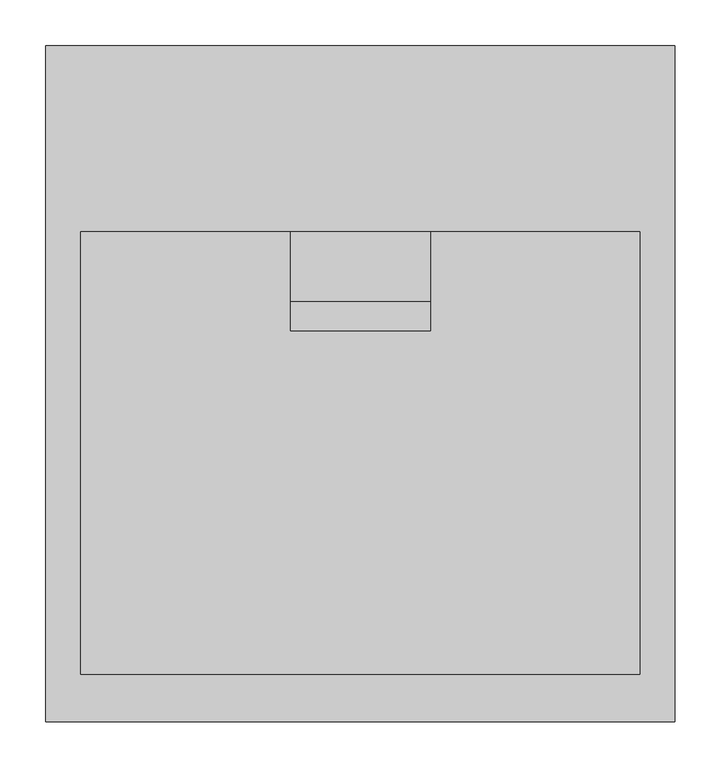
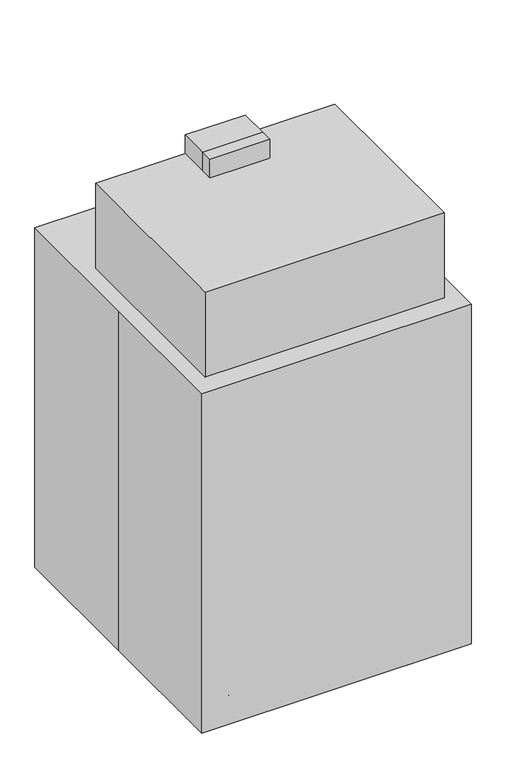
"""IFC4 building model written with IfcOpenShell, lengths in millimetres: proxy geometry."""

from ifc_helpers import new_model, si_unit, point, frame, frame_2d, origin, origin_with_axes, place, context, project, spatial, polyline, circle_curve, trimmed, segment, composite_curve, outline, extrude, faceted_brep, source, transform, mapped, element, save


def specialty_equipment_d65f46d3(model_context):
    return source(origin(), model_context, "Body", "SolidModel", [
        extrude(outline(polyline([(990.6, 241.3), (990.6, -241.3), (711.2, -241.3), (711.2, 241.3), (990.6, 241.3)]), holes=[polyline([(977.9, 228.6), (723.9, 228.6), (723.9, -228.6), (977.9, -228.6), (977.9, 228.6)])]), frame((0.0, 7.3967076, 0.0), z_axis=(0.0, 1.0, 0.0), x_axis=(0.0, 0.0, 1.0)), (0.0, 0.0, 1.0), 4.7862024),
        extrude(outline(polyline([(241.3, 12.18291), (-241.3, 12.18291), (-241.3, 58.0280886), (241.3, 58.0280886), (241.3, 12.18291)])), frame((0.0, 0.0, 711.2), z_axis=(0.0, 0.0, 1.0), x_axis=(1.0, 0.0, 0.0)), (0.0, 0.0, 1.0), 279.4),
        extrude(outline(polyline([(304.8, 166.0623981), (304.8, -316.5376019), (-304.8, -316.5376019), (-304.8, 166.0623981), (304.8, 166.0623981)])), frame((0.0, 0.0, 558.8), z_axis=(0.0, 0.0, 1.0), x_axis=(1.0, 0.0, 0.0)), (0.0, 0.0, 1.0), 584.2),
        extrude(outline(composite_curve([segment(polyline([(62.2305834, 139.7), (-104.1945414, 139.7), (-104.1945414, 393.7)]), True, "CONTINUOUS"), segment(trimmed(circle_curve(frame_2d((-53.3945414, 393.7)), 50.8), [point((-104.1945414, 393.7))], [point((-53.3945414, 444.5))], False, "CARTESIAN"), True, "CONTINUOUS"), segment(polyline([(-53.3945414, 444.5), (89.7780886, 444.5), (89.7780886, 182.7496596)]), True, "CONTINUOUS"), segment(trimmed(circle_curve(frame_2d((29.5735373, 190.9359281)), 60.7585631), [point((89.7780886, 182.7496596))], [point((62.2305834, 139.7))], False, "CARTESIAN"), True, "CONTINUOUS")], self_intersect=False)), frame((-76.2, 0.0, 0.0), z_axis=(1.0, 0.0, 0.0), x_axis=(0.0, 1.0, 0.0)), (0.0, 0.0, 1.0), 152.4),
        extrude(outline(polyline([(-196.85, 635.0), (58.0280886, 635.0), (58.0280886, 444.5), (-196.85, 609.6), (-196.85, 635.0)])), frame((57.15, 0.0, 0.0), z_axis=(1.0, 0.0, 0.0), x_axis=(0.0, 1.0, 0.0)), (0.0, 0.0, 1.0), 19.05),
        faceted_brep([(211.1375, -4.7625, 644.525), (211.1375, -4.7625, 639.7625), (211.1375, -255.5875, 639.7625), (211.1375, -255.5875, 644.525), (215.9, 0.0, 644.525), (215.9, -260.35, 644.525), (215.9, -260.35, 635.0), (215.9, 0.0, 635.0), (-211.1375, -255.5875, 639.7625), (-211.1375, -255.5875, 644.525), (-215.9, -260.35, 644.525), (-215.9, -260.35, 635.0), (-211.1375, -4.7625, 639.7625), (-211.1375, -4.7625, 644.525), (-215.9, 0.0, 644.525), (-215.9, 0.0, 635.0)], [[[0, 1, 2, 3]], [[4, 5, 6, 7]], [[3, 2, 8, 9]], [[6, 5, 10, 11]], [[9, 8, 12, 13]], [[11, 10, 14, 15]], [[1, 0, 13, 12]], [[5, 4, 14, 10], [0, 3, 9, 13]], [[4, 7, 15, 14]], [[7, 6, 11, 15]], [[2, 1, 12, 8]]]),
        extrude(outline(polyline([(-196.85, 635.0), (58.0280886, 635.0), (58.0280886, 444.5), (-196.85, 609.6), (-196.85, 635.0)])), frame((-76.2, 0.0, 0.0), z_axis=(1.0, 0.0, 0.0), x_axis=(0.0, 1.0, 0.0)), (0.0, 0.0, 1.0), 19.05),
        extrude(outline(polyline([(76.2, 89.7780886), (76.2, 58.0280886), (-76.2, 58.0280886), (-76.2, 89.7780886), (76.2, 89.7780886)])), frame((0.0, 0.0, 444.5), z_axis=(0.0, 0.0, 1.0), x_axis=(1.0, 0.0, 0.0)), (0.0, 0.0, 1.0), 749.3),
        extrude(outline(composite_curve([segment(polyline([(165.9780886, 1193.8), (165.9780886, 139.7), (62.2305834, 139.7)]), True, "CONTINUOUS"), segment(trimmed(circle_curve(frame_2d((29.5735373, 190.9359281)), 60.7585631), [point((62.2305834, 139.7))], [point((89.7780886, 182.7496596))], True, "CARTESIAN"), True, "CONTINUOUS"), segment(polyline([(89.7780886, 182.7496596), (89.7780886, 1193.8), (165.9780886, 1193.8)]), True, "CONTINUOUS")], self_intersect=False)), frame((-76.2, 0.0, 0.0), z_axis=(1.0, 0.0, 0.0), x_axis=(0.0, 1.0, 0.0)), (0.0, 0.0, 1.0), 152.4),
        extrude(outline(composite_curve([segment(trimmed(circle_curve(frame_2d((-215.9, 257.2471418)), 9.525), [point((-206.375, 257.2471418))], [point((-225.425, 257.2471418))], False, "CARTESIAN"), True, "CONTINUOUS"), segment(trimmed(circle_curve(frame_2d((-215.9, 257.2471418)), 9.525), [point((-225.425, 257.2471418))], [point((-206.375, 257.2471418))], False, "CARTESIAN"), True, "CONTINUOUS")], self_intersect=False)), frame((0.0, 0.0, 38.9774203), z_axis=(0.0, 0.0, 1.0), x_axis=(1.0, 0.0, 0.0)), (0.0, 0.0, 1.0), 49.9225797),
        extrude(outline(composite_curve([segment(trimmed(circle_curve(frame_2d((260.2876401, 38.1)), 38.1), [point((298.3876401, 38.1))], [point((222.1876401, 38.1))], False, "CARTESIAN"), True, "CONTINUOUS"), segment(trimmed(circle_curve(frame_2d((260.2876401, 38.1)), 38.1), [point((222.1876401, 38.1))], [point((298.3876401, 38.1))], False, "CARTESIAN"), True, "CONTINUOUS")], self_intersect=False)), frame((-206.375, 0.0, 0.0), z_axis=(1.0, 0.0, 0.0), x_axis=(0.0, 1.0, 0.0)), (0.0, 0.0, 1.0), 9.525),
        extrude(outline(composite_curve([segment(trimmed(circle_curve(frame_2d((260.35, 38.1)), 19.05), [point((279.4, 38.1))], [point((241.3, 38.1))], False, "CARTESIAN"), True, "CONTINUOUS"), segment(trimmed(circle_curve(frame_2d((260.35, 38.1)), 19.05), [point((241.3, 38.1))], [point((279.4, 38.1))], False, "CARTESIAN"), True, "CONTINUOUS")], self_intersect=False)), frame((-225.425, 0.0, 0.0), z_axis=(1.0, 0.0, 0.0), x_axis=(0.0, 1.0, 0.0)), (0.0, 0.0, 1.0), 19.05),
        extrude(outline(composite_curve([segment(trimmed(circle_curve(frame_2d((260.2876401, 38.1)), 38.1), [point((298.3876401, 38.1))], [point((222.1876401, 38.1))], False, "CARTESIAN"), True, "CONTINUOUS"), segment(trimmed(circle_curve(frame_2d((260.2876401, 38.1)), 38.1), [point((222.1876401, 38.1))], [point((298.3876401, 38.1))], False, "CARTESIAN"), True, "CONTINUOUS")], self_intersect=False)), frame((-234.95, 0.0, 0.0), z_axis=(1.0, 0.0, 0.0), x_axis=(0.0, 1.0, 0.0)), (0.0, 0.0, 1.0), 9.525),
        extrude(outline(composite_curve([segment(trimmed(circle_curve(frame_2d((-215.9, -257.2471418)), 9.525), [point((-206.375, -257.2471418))], [point((-225.425, -257.2471418))], False, "CARTESIAN"), True, "CONTINUOUS"), segment(trimmed(circle_curve(frame_2d((-215.9, -257.2471418)), 9.525), [point((-225.425, -257.2471418))], [point((-206.375, -257.2471418))], False, "CARTESIAN"), True, "CONTINUOUS")], self_intersect=False)), frame((0.0, 0.0, 38.9774203), z_axis=(0.0, 0.0, 1.0), x_axis=(1.0, 0.0, 0.0)), (0.0, 0.0, 1.0), 49.9225797),
        extrude(outline(composite_curve([segment(trimmed(circle_curve(frame_2d((-260.2876401, 38.1)), 38.1), [point((-298.3876401, 38.1))], [point((-222.1876401, 38.1))], False, "CARTESIAN"), True, "CONTINUOUS"), segment(trimmed(circle_curve(frame_2d((-260.2876401, 38.1)), 38.1), [point((-222.1876401, 38.1))], [point((-298.3876401, 38.1))], False, "CARTESIAN"), True, "CONTINUOUS")], self_intersect=False)), frame((-206.375, 0.0, 0.0), z_axis=(1.0, 0.0, 0.0), x_axis=(0.0, 1.0, 0.0)), (0.0, 0.0, 1.0), 9.525),
        extrude(outline(composite_curve([segment(trimmed(circle_curve(frame_2d((-260.35, 38.1)), 19.05), [point((-279.4, 38.1))], [point((-241.3, 38.1))], False, "CARTESIAN"), True, "CONTINUOUS"), segment(trimmed(circle_curve(frame_2d((-260.35, 38.1)), 19.05), [point((-241.3, 38.1))], [point((-279.4, 38.1))], False, "CARTESIAN"), True, "CONTINUOUS")], self_intersect=False)), frame((-225.425, 0.0, 0.0), z_axis=(1.0, 0.0, 0.0), x_axis=(0.0, 1.0, 0.0)), (0.0, 0.0, 1.0), 19.05),
        extrude(outline(composite_curve([segment(trimmed(circle_curve(frame_2d((-260.2876401, 38.1)), 38.1), [point((-298.3876401, 38.1))], [point((-222.1876401, 38.1))], False, "CARTESIAN"), True, "CONTINUOUS"), segment(trimmed(circle_curve(frame_2d((-260.2876401, 38.1)), 38.1), [point((-222.1876401, 38.1))], [point((-298.3876401, 38.1))], False, "CARTESIAN"), True, "CONTINUOUS")], self_intersect=False)), frame((-234.95, 0.0, 0.0), z_axis=(1.0, 0.0, 0.0), x_axis=(0.0, 1.0, 0.0)), (0.0, 0.0, 1.0), 9.525),
        extrude(outline(composite_curve([segment(trimmed(circle_curve(frame_2d((215.9, 257.2471418)), 9.525), [point((206.375, 257.2471418))], [point((225.425, 257.2471418))], False, "CARTESIAN"), True, "CONTINUOUS"), segment(trimmed(circle_curve(frame_2d((215.9, 257.2471418)), 9.525), [point((225.425, 257.2471418))], [point((206.375, 257.2471418))], False, "CARTESIAN"), True, "CONTINUOUS")], self_intersect=False)), frame((0.0, 0.0, 38.9774203), z_axis=(0.0, 0.0, 1.0), x_axis=(1.0, 0.0, 0.0)), (0.0, 0.0, 1.0), 49.9225797),
        extrude(outline(composite_curve([segment(trimmed(circle_curve(frame_2d((260.2876401, 38.1)), 38.1), [point((298.3876401, 38.1))], [point((222.1876401, 38.1))], False, "CARTESIAN"), True, "CONTINUOUS"), segment(trimmed(circle_curve(frame_2d((260.2876401, 38.1)), 38.1), [point((222.1876401, 38.1))], [point((298.3876401, 38.1))], False, "CARTESIAN"), True, "CONTINUOUS")], self_intersect=False)), frame((196.85, 0.0, 0.0), z_axis=(1.0, 0.0, 0.0), x_axis=(0.0, 1.0, 0.0)), (0.0, 0.0, 1.0), 9.525),
        extrude(outline(composite_curve([segment(trimmed(circle_curve(frame_2d((260.35, 38.1)), 19.05), [point((279.4, 38.1))], [point((241.3, 38.1))], False, "CARTESIAN"), True, "CONTINUOUS"), segment(trimmed(circle_curve(frame_2d((260.35, 38.1)), 19.05), [point((241.3, 38.1))], [point((279.4, 38.1))], False, "CARTESIAN"), True, "CONTINUOUS")], self_intersect=False)), frame((206.375, 0.0, 0.0), z_axis=(1.0, 0.0, 0.0), x_axis=(0.0, 1.0, 0.0)), (0.0, 0.0, 1.0), 19.05),
        extrude(outline(composite_curve([segment(trimmed(circle_curve(frame_2d((260.2876401, 38.1)), 38.1), [point((298.3876401, 38.1))], [point((222.1876401, 38.1))], False, "CARTESIAN"), True, "CONTINUOUS"), segment(trimmed(circle_curve(frame_2d((260.2876401, 38.1)), 38.1), [point((222.1876401, 38.1))], [point((298.3876401, 38.1))], False, "CARTESIAN"), True, "CONTINUOUS")], self_intersect=False)), frame((225.425, 0.0, 0.0), z_axis=(1.0, 0.0, 0.0), x_axis=(0.0, 1.0, 0.0)), (0.0, 0.0, 1.0), 9.525),
        extrude(outline(composite_curve([segment(trimmed(circle_curve(frame_2d((215.9, -257.2471418)), 9.525), [point((206.375, -257.2471418))], [point((225.425, -257.2471418))], False, "CARTESIAN"), True, "CONTINUOUS"), segment(trimmed(circle_curve(frame_2d((215.9, -257.2471418)), 9.525), [point((225.425, -257.2471418))], [point((206.375, -257.2471418))], False, "CARTESIAN"), True, "CONTINUOUS")], self_intersect=False)), frame((0.0, 0.0, 38.9774203), z_axis=(0.0, 0.0, 1.0), x_axis=(1.0, 0.0, 0.0)), (0.0, 0.0, 1.0), 49.9225797),
        extrude(outline(composite_curve([segment(trimmed(circle_curve(frame_2d((-260.2876401, 38.1)), 38.1), [point((-298.3876401, 38.1))], [point((-222.1876401, 38.1))], False, "CARTESIAN"), True, "CONTINUOUS"), segment(trimmed(circle_curve(frame_2d((-260.2876401, 38.1)), 38.1), [point((-222.1876401, 38.1))], [point((-298.3876401, 38.1))], False, "CARTESIAN"), True, "CONTINUOUS")], self_intersect=False)), frame((196.85, 0.0, 0.0), z_axis=(1.0, 0.0, 0.0), x_axis=(0.0, 1.0, 0.0)), (0.0, 0.0, 1.0), 9.525),
        extrude(outline(composite_curve([segment(trimmed(circle_curve(frame_2d((-260.35, 38.1)), 19.05), [point((-279.4, 38.1))], [point((-241.3, 38.1))], False, "CARTESIAN"), True, "CONTINUOUS"), segment(trimmed(circle_curve(frame_2d((-260.35, 38.1)), 19.05), [point((-241.3, 38.1))], [point((-279.4, 38.1))], False, "CARTESIAN"), True, "CONTINUOUS")], self_intersect=False)), frame((206.375, 0.0, 0.0), z_axis=(1.0, 0.0, 0.0), x_axis=(0.0, 1.0, 0.0)), (0.0, 0.0, 1.0), 19.05),
        extrude(outline(composite_curve([segment(trimmed(circle_curve(frame_2d((-260.2876401, 38.1)), 38.1), [point((-298.3876401, 38.1))], [point((-222.1876401, 38.1))], False, "CARTESIAN"), True, "CONTINUOUS"), segment(trimmed(circle_curve(frame_2d((-260.2876401, 38.1)), 38.1), [point((-222.1876401, 38.1))], [point((-298.3876401, 38.1))], False, "CARTESIAN"), True, "CONTINUOUS")], self_intersect=False)), frame((225.425, 0.0, 0.0), z_axis=(1.0, 0.0, 0.0), x_axis=(0.0, 1.0, 0.0)), (0.0, 0.0, 1.0), 9.525),
        extrude(outline(composite_curve([segment(polyline([(93.9865963, 192.9187071), (176.6628647, 292.6165602)]), True, "CONTINUOUS"), segment(trimmed(circle_curve(frame_2d((215.7665691, 260.189098)), 50.8), [point((176.6628647, 292.6165602))], [point((254.8702735, 227.7616359))], False, "CARTESIAN"), True, "CONTINUOUS"), segment(polyline([(254.8702735, 227.7616359), (152.4, 104.1945414), (152.4, -104.1945414), (254.8702735, -227.7616359)]), True, "CONTINUOUS"), segment(trimmed(circle_curve(frame_2d((215.7665691, -260.189098)), 50.8), [point((254.8702735, -227.7616359))], [point((176.6628647, -292.6165602))], False, "CARTESIAN"), True, "CONTINUOUS"), segment(polyline([(176.6628647, -292.6165602), (53.1141065, -143.6312929), (-53.1141065, -143.6312929), (-176.6628647, -292.6165602)]), True, "CONTINUOUS"), segment(trimmed(circle_curve(frame_2d((-215.7665691, -260.189098)), 50.8), [point((-176.6628647, -292.6165602))], [point((-254.8702735, -227.7616359))], False, "CARTESIAN"), True, "CONTINUOUS"), segment(polyline([(-254.8702735, -227.7616359), (-152.4, -104.1945414), (-152.4, 104.1945414), (-254.8702735, 227.7616359)]), True, "CONTINUOUS"), segment(trimmed(circle_curve(frame_2d((-215.7665691, 260.189098)), 50.8), [point((-254.8702735, 227.7616359))], [point((-176.6628647, 292.6165602))], False, "CARTESIAN"), True, "CONTINUOUS"), segment(polyline([(-176.6628647, 292.6165602), (-93.9865963, 192.9187071), (93.9865963, 192.9187071)]), True, "CONTINUOUS")], self_intersect=False)), frame((0.0, 0.0, 88.9), z_axis=(0.0, 0.0, 1.0), x_axis=(1.0, 0.0, 0.0)), (0.0, 0.0, 1.0), 50.8),
        extrude(outline(polyline([(-342.9, 368.3), (342.9, 368.3), (342.9, -368.3), (-342.9, -368.3), (-342.9, 0.0), (-342.9, 368.3)])), origin_with_axes(), (0.0, 0.0, 1.0), 914.4),
    ])


if __name__ == "__main__":
    model = new_model("IFC4")
    model_context = context("Model", 3, world=origin())
    ifc_project = project(units=[si_unit("LENGTHUNIT", "METRE", prefix="MILLI")], contexts=[model_context])
    site = spatial("IfcSite", under=ifc_project)
    building = spatial("IfcBuilding", under=site)
    placement = place(None, origin())
    specialty_equipment_shape = specialty_equipment_d65f46d3(model_context)
    element("IfcBuildingElementProxy", 1, Name="Specialty Equipment", at=placement, inside=building, context=model_context, shape_type="MappedRepresentation", body=[
        mapped(specialty_equipment_shape, transform((0.0, 0.0, 0.0), x_axis=(1.0, 0.0, 0.0), y_axis=(0.0, 1.0, 0.0), z_axis=(0.0, 0.0, 1.0))),
    ])
    save(model, "model.ifc")
